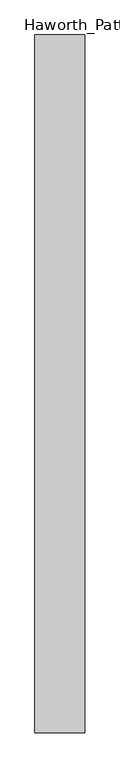
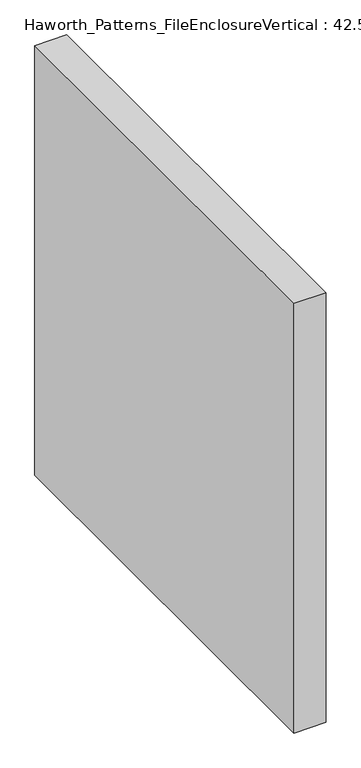
"""IFC4 building model written with IfcOpenShell, lengths in millimetres: furniture geometry, Haworth_Patterns_FileEnclosureVertical : 42.5h 42d."""

from ifc_helpers import new_model, si_unit, origin, origin_with_axes, place, context, project, spatial, polyline, outline, extrude, source, transform, mapped, element, save


def haworth_patterns_fileenclosurevertical_42_5h_42d_b0ee347c(model_context):
    return source(origin(), model_context, "Body", "SweptSolid", [
        extrude(outline(polyline([(-38.1, 0.0), (38.1, 0.0), (38.1, -1066.8), (-38.1, -1066.8), (-38.1, 0.0)])), origin_with_axes(), (0.0, 0.0, 1.0), 1079.5),
        extrude(outline(polyline([(38.1, 0.0), (38.1, -1066.8), (-38.1, -1066.8), (-38.1, 0.0), (38.1, 0.0)])), origin_with_axes(), (0.0, 0.0, 1.0), 1079.5),
    ])


if __name__ == "__main__":
    model = new_model("IFC4")
    model_context = context("Model", 3, world=origin())
    ifc_project = project(units=[si_unit("LENGTHUNIT", "METRE", prefix="MILLI")], contexts=[model_context])
    site = spatial("IfcSite", under=ifc_project)
    building = spatial("IfcBuilding", under=site)
    placement = place(None, origin())
    haworth_patterns_fileenclosurevertical_42_5h_42d_shape = haworth_patterns_fileenclosurevertical_42_5h_42d_b0ee347c(model_context)
    element("IfcFurniture", 1, ObjectType="Haworth_Patterns_FileEnclosureVertical : 42.5h 42d", at=placement, inside=building, context=model_context, shape_type="MappedRepresentation", body=[
        mapped(haworth_patterns_fileenclosurevertical_42_5h_42d_shape, transform((0.0, 0.0, 0.0), x_axis=(1.0, 0.0, 0.0), y_axis=(0.0, 1.0, 0.0), z_axis=(0.0, 0.0, 1.0))),
    ])
    save(model, "model.ifc")
